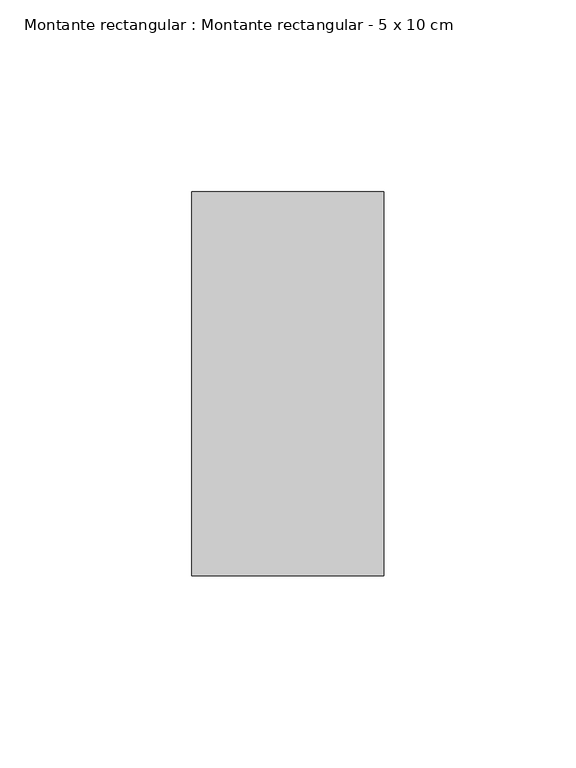
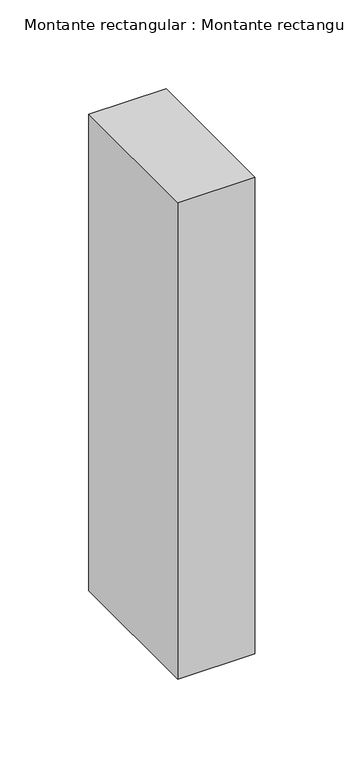
"""IFC4 building model written with IfcOpenShell, lengths in millimetres: member geometry, Montante rectangular : Montante rectangular - 5 x 10 cm."""

from ifc_helpers import new_model, si_unit, frame, origin, place, context, project, spatial, polyline, outline, extrude, source, transform, mapped, element, save


def montante_rectangular_montante_rectangular_5_x_10_cm_6d99919e(model_context):
    return source(origin(), model_context, "Body", "SweptSolid", [
        extrude(outline(polyline([(25.0, 50.0), (25.0, -50.0), (-25.0, -50.0), (-25.0, 50.0), (25.0, 50.0)])), frame((0.0, 0.0, -326.6666667), z_axis=(0.0, 0.0, 1.0), x_axis=(1.0, 0.0, 0.0)), (0.0, 0.0, 1.0), 326.6666667),
    ])


if __name__ == "__main__":
    model = new_model("IFC4")
    model_context = context("Model", 3, world=origin())
    ifc_project = project(units=[si_unit("LENGTHUNIT", "METRE", prefix="MILLI")], contexts=[model_context])
    site = spatial("IfcSite", under=ifc_project)
    building = spatial("IfcBuilding", under=site)
    placement = place(None, origin())
    montante_rectangular_montante_rectangular_5_x_10_cm_shape = montante_rectangular_montante_rectangular_5_x_10_cm_6d99919e(model_context)
    element("IfcMember", 1, ObjectType="Montante rectangular : Montante rectangular - 5 x 10 cm", at=placement, inside=building, context=model_context, shape_type="MappedRepresentation", body=[
        mapped(montante_rectangular_montante_rectangular_5_x_10_cm_shape, transform((0.0, 0.0, 0.0), x_axis=(1.0, 0.0, 0.0), y_axis=(0.0, 1.0, 0.0), z_axis=(0.0, 0.0, 1.0))),
    ])
    save(model, "model.ifc")
